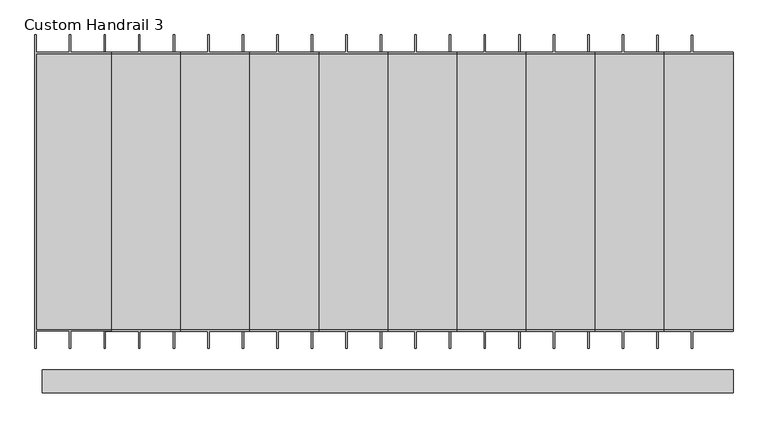
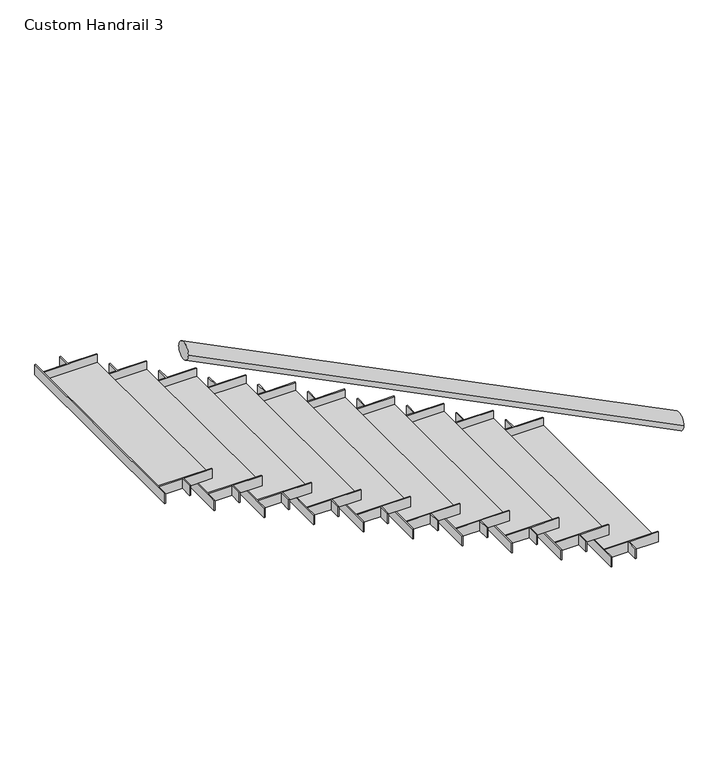
"""IFC4 building model written with IfcOpenShell, lengths in millimetres: railing geometry, Custom Handrail 3."""

from ifc_helpers import new_model, si_unit, frame, origin, place, context, project, spatial, ellipse_curve, faceted_brep, source, transform, mapped, element, save
from ifc_brep_helpers import plane_surface, cylinder_surface, advanced_brep


def custom_handrail_3_925d54cb(model_context):
    return source(origin(), model_context, "Body", "SolidModel", [
        advanced_brep(
        [(-2558.2362637, 8828.0661299, 2381.6038734), (-2558.2362637, 8929.6661299, 2381.6038734), (-5606.2362637, 8828.0661299, 3905.6038734), (-5606.2362637, 8929.6661299, 3905.6038734)],
        [
            (0, 1, ellipse_curve(frame((-2558.2362637, 8878.8661299, 2381.6038734), z_axis=(1.0, 0.0, 0.0), x_axis=(0.0, 0.0, -1.0)), 56.7961266, 50.8)),
            (1, 0, ellipse_curve(frame((-2558.2362637, 8878.8661299, 2381.6038734), z_axis=(1.0, 0.0, 0.0), x_axis=(0.0, 0.0, -1.0)), 56.7961266, 50.8)),
            (2, 3, ellipse_curve(frame((-5606.2362637, 8878.8661299, 3905.6038734), z_axis=(-1.0, 0.0, 0.0), x_axis=(0.0, 0.0, -1.0)), 56.7961266, 50.8)),
            (3, 2, ellipse_curve(frame((-5606.2362637, 8878.8661299, 3905.6038734), z_axis=(-1.0, 0.0, 0.0), x_axis=(0.0, 0.0, -1.0)), 56.7961266, 50.8)),
            (0, 2),
            (3, 1),
        ],
        [
            plane_surface(frame((-2558.2362637, 8878.8661299, 2438.4), z_axis=(1.0, 0.0, 0.0), x_axis=(0.0, -1.0, 0.0))),
            plane_surface(frame((-5606.2362637, 8878.8661299, 3962.4), z_axis=(-1.0, 0.0, 0.0), x_axis=(0.0, -1.0, 0.0))),
            cylinder_surface(frame((-2580.9547144, 8878.8661299, 2392.9630987), z_axis=(0.894427190999916, 0.0, -0.447213595499958), x_axis=(0.0, 1.0, 0.0)), 50.8),
        ],
        [
            (0, [[1, 2]]),
            (1, [[3, 4]]),
            (2, [[-1, 5, -4, 6]]),
            (2, [[-2, -6, -3, -5]]),
        ],
    ),
        faceted_brep([(-5301.4362637, 10333.0161299, 2895.6), (-5301.4362637, 10326.6661299, 2895.6), (-5301.4362637, 10326.6661299, 2844.8), (-5301.4362637, 9107.4661299, 2844.8), (-5301.4362637, 9107.4661299, 2895.6), (-5301.4362637, 9101.1161299, 2895.6), (-5301.4362637, 9101.1161299, 2832.1), (-5301.4362637, 10333.0161299, 2832.1), (-5479.2362637, 10333.0161299, 2832.1), (-5479.2362637, 10333.0161299, 2895.6), (-5631.6362637, 10333.0161299, 2895.6), (-5485.5862637, 10333.0161299, 2895.6), (-5485.5862637, 10333.0161299, 2832.1), (-5631.6362637, 10333.0161299, 2832.1), (-5479.2362637, 10409.2161299, 2895.6), (-5485.5862637, 10409.2161299, 2895.6), (-5631.6362637, 10409.2161299, 2895.6), (-5637.9862637, 10409.2161299, 2895.6), (-5637.9862637, 9024.9161299, 2895.6), (-5631.6362637, 9024.9161299, 2895.6), (-5631.6362637, 9101.1161299, 2895.6), (-5485.5862637, 9101.1161299, 2895.6), (-5485.5862637, 9024.9161299, 2895.6), (-5479.2362637, 9024.9161299, 2895.6), (-5479.2362637, 9101.1161299, 2895.6), (-5631.6362637, 9107.4661299, 2895.6), (-5631.6362637, 10326.6661299, 2895.6), (-5631.6362637, 10326.6661299, 2844.8), (-5637.9862637, 10409.2161299, 2832.1), (-5637.9862637, 9024.9161299, 2832.1), (-5631.6362637, 9107.4661299, 2844.8), (-5479.2362637, 9101.1161299, 2832.1), (-5631.6362637, 9101.1161299, 2832.1), (-5485.5862637, 9101.1161299, 2832.1), (-5479.2362637, 9024.9161299, 2832.1), (-5485.5862637, 9024.9161299, 2832.1), (-5631.6362637, 9024.9161299, 2832.1), (-5631.6362637, 10409.2161299, 2832.1), (-5485.5862637, 10409.2161299, 2832.1), (-5479.2362637, 10409.2161299, 2832.1)], [[[0, 1, 2, 3, 4, 5, 6, 7]], [[0, 7, 8, 9]], [[10, 11, 12, 13]], [[1, 0, 9, 14, 15, 11, 10, 16, 17, 18, 19, 20, 21, 22, 23, 24, 5, 4, 25, 26]], [[2, 1, 26, 27]], [[18, 17, 28, 29]], [[26, 25, 30, 27]], [[6, 5, 24, 31]], [[21, 20, 32, 33]], [[25, 4, 3, 30]], [[3, 2, 27, 30]], [[7, 6, 31, 34, 35, 33, 32, 36, 29, 28, 37, 13, 12, 38, 39, 8]], [[19, 18, 29, 36]], [[20, 19, 36, 32]], [[23, 22, 35, 34]], [[24, 23, 34, 31]], [[22, 21, 33, 35]], [[16, 10, 13, 37]], [[17, 16, 37, 28]], [[11, 15, 38, 12]], [[14, 9, 8, 39]], [[15, 14, 39, 38]]]),
        faceted_brep([(-4996.6362637, 10333.0161299, 2743.2), (-4996.6362637, 10326.6661299, 2743.2), (-4996.6362637, 10326.6661299, 2692.4), (-4996.6362637, 9107.4661299, 2692.4), (-4996.6362637, 9107.4661299, 2743.2), (-4996.6362637, 9101.1161299, 2743.2), (-4996.6362637, 9101.1161299, 2679.7), (-4996.6362637, 10333.0161299, 2679.7), (-5174.4362637, 10333.0161299, 2679.7), (-5174.4362637, 10333.0161299, 2743.2), (-5326.8362637, 10333.0161299, 2743.2), (-5180.7862637, 10333.0161299, 2743.2), (-5180.7862637, 10333.0161299, 2679.7), (-5326.8362637, 10333.0161299, 2679.7), (-5174.4362637, 10409.2161299, 2743.2), (-5180.7862637, 10409.2161299, 2743.2), (-5326.8362637, 10409.2161299, 2743.2), (-5333.1862637, 10409.2161299, 2743.2), (-5333.1862637, 9024.9161299, 2743.2), (-5326.8362637, 9024.9161299, 2743.2), (-5326.8362637, 9101.1161299, 2743.2), (-5180.7862637, 9101.1161299, 2743.2), (-5180.7862637, 9024.9161299, 2743.2), (-5174.4362637, 9024.9161299, 2743.2), (-5174.4362637, 9101.1161299, 2743.2), (-5326.8362637, 9107.4661299, 2743.2), (-5326.8362637, 10326.6661299, 2743.2), (-5326.8362637, 10326.6661299, 2692.4), (-5333.1862637, 10409.2161299, 2679.7), (-5333.1862637, 9024.9161299, 2679.7), (-5326.8362637, 9107.4661299, 2692.4), (-5174.4362637, 9101.1161299, 2679.7), (-5326.8362637, 9101.1161299, 2679.7), (-5180.7862637, 9101.1161299, 2679.7), (-5174.4362637, 9024.9161299, 2679.7), (-5180.7862637, 9024.9161299, 2679.7), (-5326.8362637, 9024.9161299, 2679.7), (-5326.8362637, 10409.2161299, 2679.7), (-5180.7862637, 10409.2161299, 2679.7), (-5174.4362637, 10409.2161299, 2679.7)], [[[0, 1, 2, 3, 4, 5, 6, 7]], [[0, 7, 8, 9]], [[10, 11, 12, 13]], [[1, 0, 9, 14, 15, 11, 10, 16, 17, 18, 19, 20, 21, 22, 23, 24, 5, 4, 25, 26]], [[2, 1, 26, 27]], [[18, 17, 28, 29]], [[26, 25, 30, 27]], [[6, 5, 24, 31]], [[21, 20, 32, 33]], [[25, 4, 3, 30]], [[3, 2, 27, 30]], [[7, 6, 31, 34, 35, 33, 32, 36, 29, 28, 37, 13, 12, 38, 39, 8]], [[19, 18, 29, 36]], [[20, 19, 36, 32]], [[23, 22, 35, 34]], [[24, 23, 34, 31]], [[22, 21, 33, 35]], [[16, 10, 13, 37]], [[17, 16, 37, 28]], [[11, 15, 38, 12]], [[14, 9, 8, 39]], [[15, 14, 39, 38]]]),
        faceted_brep([(-4691.8362637, 10333.0161299, 2590.8), (-4691.8362637, 10326.6661299, 2590.8), (-4691.8362637, 10326.6661299, 2540.0), (-4691.8362637, 9107.4661299, 2540.0), (-4691.8362637, 9107.4661299, 2590.8), (-4691.8362637, 9101.1161299, 2590.8), (-4691.8362637, 9101.1161299, 2527.3), (-4691.8362637, 10333.0161299, 2527.3), (-4869.6362637, 10333.0161299, 2527.3), (-4869.6362637, 10333.0161299, 2590.8), (-5022.0362637, 10333.0161299, 2590.8), (-4875.9862637, 10333.0161299, 2590.8), (-4875.9862637, 10333.0161299, 2527.3), (-5022.0362637, 10333.0161299, 2527.3), (-4869.6362637, 10409.2161299, 2590.8), (-4875.9862637, 10409.2161299, 2590.8), (-5022.0362637, 10409.2161299, 2590.8), (-5028.3862637, 10409.2161299, 2590.8), (-5028.3862637, 9024.9161299, 2590.8), (-5022.0362637, 9024.9161299, 2590.8), (-5022.0362637, 9101.1161299, 2590.8), (-4875.9862637, 9101.1161299, 2590.8), (-4875.9862637, 9024.9161299, 2590.8), (-4869.6362637, 9024.9161299, 2590.8), (-4869.6362637, 9101.1161299, 2590.8), (-5022.0362637, 9107.4661299, 2590.8), (-5022.0362637, 10326.6661299, 2590.8), (-5022.0362637, 10326.6661299, 2540.0), (-5028.3862637, 10409.2161299, 2527.3), (-5028.3862637, 9024.9161299, 2527.3), (-5022.0362637, 9107.4661299, 2540.0), (-4869.6362637, 9101.1161299, 2527.3), (-5022.0362637, 9101.1161299, 2527.3), (-4875.9862637, 9101.1161299, 2527.3), (-4869.6362637, 9024.9161299, 2527.3), (-4875.9862637, 9024.9161299, 2527.3), (-5022.0362637, 9024.9161299, 2527.3), (-5022.0362637, 10409.2161299, 2527.3), (-4875.9862637, 10409.2161299, 2527.3), (-4869.6362637, 10409.2161299, 2527.3)], [[[0, 1, 2, 3, 4, 5, 6, 7]], [[0, 7, 8, 9]], [[10, 11, 12, 13]], [[1, 0, 9, 14, 15, 11, 10, 16, 17, 18, 19, 20, 21, 22, 23, 24, 5, 4, 25, 26]], [[2, 1, 26, 27]], [[18, 17, 28, 29]], [[26, 25, 30, 27]], [[6, 5, 24, 31]], [[21, 20, 32, 33]], [[25, 4, 3, 30]], [[3, 2, 27, 30]], [[7, 6, 31, 34, 35, 33, 32, 36, 29, 28, 37, 13, 12, 38, 39, 8]], [[19, 18, 29, 36]], [[20, 19, 36, 32]], [[23, 22, 35, 34]], [[24, 23, 34, 31]], [[22, 21, 33, 35]], [[16, 10, 13, 37]], [[17, 16, 37, 28]], [[11, 15, 38, 12]], [[14, 9, 8, 39]], [[15, 14, 39, 38]]]),
        faceted_brep([(-4387.0362637, 10333.0161299, 2438.4), (-4387.0362637, 10326.6661299, 2438.4), (-4387.0362637, 10326.6661299, 2387.6), (-4387.0362637, 9107.4661299, 2387.6), (-4387.0362637, 9107.4661299, 2438.4), (-4387.0362637, 9101.1161299, 2438.4), (-4387.0362637, 9101.1161299, 2374.9), (-4387.0362637, 10333.0161299, 2374.9), (-4564.8362637, 10333.0161299, 2374.9), (-4564.8362637, 10333.0161299, 2438.4), (-4717.2362637, 10333.0161299, 2438.4), (-4571.1862637, 10333.0161299, 2438.4), (-4571.1862637, 10333.0161299, 2374.9), (-4717.2362637, 10333.0161299, 2374.9), (-4564.8362637, 10409.2161299, 2438.4), (-4571.1862637, 10409.2161299, 2438.4), (-4717.2362637, 10409.2161299, 2438.4), (-4723.5862637, 10409.2161299, 2438.4), (-4723.5862637, 9024.9161299, 2438.4), (-4717.2362637, 9024.9161299, 2438.4), (-4717.2362637, 9101.1161299, 2438.4), (-4571.1862637, 9101.1161299, 2438.4), (-4571.1862637, 9024.9161299, 2438.4), (-4564.8362637, 9024.9161299, 2438.4), (-4564.8362637, 9101.1161299, 2438.4), (-4717.2362637, 9107.4661299, 2438.4), (-4717.2362637, 10326.6661299, 2438.4), (-4717.2362637, 10326.6661299, 2387.6), (-4723.5862637, 10409.2161299, 2374.9), (-4723.5862637, 9024.9161299, 2374.9), (-4717.2362637, 9107.4661299, 2387.6), (-4564.8362637, 9101.1161299, 2374.9), (-4717.2362637, 9101.1161299, 2374.9), (-4571.1862637, 9101.1161299, 2374.9), (-4564.8362637, 9024.9161299, 2374.9), (-4571.1862637, 9024.9161299, 2374.9), (-4717.2362637, 9024.9161299, 2374.9), (-4717.2362637, 10409.2161299, 2374.9), (-4571.1862637, 10409.2161299, 2374.9), (-4564.8362637, 10409.2161299, 2374.9)], [[[0, 1, 2, 3, 4, 5, 6, 7]], [[0, 7, 8, 9]], [[10, 11, 12, 13]], [[1, 0, 9, 14, 15, 11, 10, 16, 17, 18, 19, 20, 21, 22, 23, 24, 5, 4, 25, 26]], [[2, 1, 26, 27]], [[18, 17, 28, 29]], [[26, 25, 30, 27]], [[6, 5, 24, 31]], [[21, 20, 32, 33]], [[25, 4, 3, 30]], [[3, 2, 27, 30]], [[7, 6, 31, 34, 35, 33, 32, 36, 29, 28, 37, 13, 12, 38, 39, 8]], [[19, 18, 29, 36]], [[20, 19, 36, 32]], [[23, 22, 35, 34]], [[24, 23, 34, 31]], [[22, 21, 33, 35]], [[16, 10, 13, 37]], [[17, 16, 37, 28]], [[11, 15, 38, 12]], [[14, 9, 8, 39]], [[15, 14, 39, 38]]]),
        faceted_brep([(-4082.2362637, 10333.0161299, 2286.0), (-4082.2362637, 10326.6661299, 2286.0), (-4082.2362637, 10326.6661299, 2235.2), (-4082.2362637, 9107.4661299, 2235.2), (-4082.2362637, 9107.4661299, 2286.0), (-4082.2362637, 9101.1161299, 2286.0), (-4082.2362637, 9101.1161299, 2222.5), (-4082.2362637, 10333.0161299, 2222.5), (-4260.0362637, 10333.0161299, 2222.5), (-4260.0362637, 10333.0161299, 2286.0), (-4412.4362637, 10333.0161299, 2286.0), (-4266.3862637, 10333.0161299, 2286.0), (-4266.3862637, 10333.0161299, 2222.5), (-4412.4362637, 10333.0161299, 2222.5), (-4260.0362637, 10409.2161299, 2286.0), (-4266.3862637, 10409.2161299, 2286.0), (-4412.4362637, 10409.2161299, 2286.0), (-4418.7862637, 10409.2161299, 2286.0), (-4418.7862637, 9024.9161299, 2286.0), (-4412.4362637, 9024.9161299, 2286.0), (-4412.4362637, 9101.1161299, 2286.0), (-4266.3862637, 9101.1161299, 2286.0), (-4266.3862637, 9024.9161299, 2286.0), (-4260.0362637, 9024.9161299, 2286.0), (-4260.0362637, 9101.1161299, 2286.0), (-4412.4362637, 9107.4661299, 2286.0), (-4412.4362637, 10326.6661299, 2286.0), (-4412.4362637, 10326.6661299, 2235.2), (-4418.7862637, 10409.2161299, 2222.5), (-4418.7862637, 9024.9161299, 2222.5), (-4412.4362637, 9107.4661299, 2235.2), (-4260.0362637, 9101.1161299, 2222.5), (-4412.4362637, 9101.1161299, 2222.5), (-4266.3862637, 9101.1161299, 2222.5), (-4260.0362637, 9024.9161299, 2222.5), (-4266.3862637, 9024.9161299, 2222.5), (-4412.4362637, 9024.9161299, 2222.5), (-4412.4362637, 10409.2161299, 2222.5), (-4266.3862637, 10409.2161299, 2222.5), (-4260.0362637, 10409.2161299, 2222.5)], [[[0, 1, 2, 3, 4, 5, 6, 7]], [[0, 7, 8, 9]], [[10, 11, 12, 13]], [[1, 0, 9, 14, 15, 11, 10, 16, 17, 18, 19, 20, 21, 22, 23, 24, 5, 4, 25, 26]], [[2, 1, 26, 27]], [[18, 17, 28, 29]], [[26, 25, 30, 27]], [[6, 5, 24, 31]], [[21, 20, 32, 33]], [[25, 4, 3, 30]], [[3, 2, 27, 30]], [[7, 6, 31, 34, 35, 33, 32, 36, 29, 28, 37, 13, 12, 38, 39, 8]], [[19, 18, 29, 36]], [[20, 19, 36, 32]], [[23, 22, 35, 34]], [[24, 23, 34, 31]], [[22, 21, 33, 35]], [[16, 10, 13, 37]], [[17, 16, 37, 28]], [[11, 15, 38, 12]], [[14, 9, 8, 39]], [[15, 14, 39, 38]]]),
        faceted_brep([(-3777.4362637, 10333.0161299, 2133.6), (-3777.4362637, 10326.6661299, 2133.6), (-3777.4362637, 10326.6661299, 2082.8), (-3777.4362637, 9107.4661299, 2082.8), (-3777.4362637, 9107.4661299, 2133.6), (-3777.4362637, 9101.1161299, 2133.6), (-3777.4362637, 9101.1161299, 2070.1), (-3777.4362637, 10333.0161299, 2070.1), (-3955.2362637, 10333.0161299, 2070.1), (-3955.2362637, 10333.0161299, 2133.6), (-4107.6362637, 10333.0161299, 2133.6), (-3961.5862637, 10333.0161299, 2133.6), (-3961.5862637, 10333.0161299, 2070.1), (-4107.6362637, 10333.0161299, 2070.1), (-3955.2362637, 10409.2161299, 2133.6), (-3961.5862637, 10409.2161299, 2133.6), (-4107.6362637, 10409.2161299, 2133.6), (-4113.9862637, 10409.2161299, 2133.6), (-4113.9862637, 9024.9161299, 2133.6), (-4107.6362637, 9024.9161299, 2133.6), (-4107.6362637, 9101.1161299, 2133.6), (-3961.5862637, 9101.1161299, 2133.6), (-3961.5862637, 9024.9161299, 2133.6), (-3955.2362637, 9024.9161299, 2133.6), (-3955.2362637, 9101.1161299, 2133.6), (-4107.6362637, 9107.4661299, 2133.6), (-4107.6362637, 10326.6661299, 2133.6), (-4107.6362637, 10326.6661299, 2082.8), (-4113.9862637, 10409.2161299, 2070.1), (-4113.9862637, 9024.9161299, 2070.1), (-4107.6362637, 9107.4661299, 2082.8), (-3955.2362637, 9101.1161299, 2070.1), (-4107.6362637, 9101.1161299, 2070.1), (-3961.5862637, 9101.1161299, 2070.1), (-3955.2362637, 9024.9161299, 2070.1), (-3961.5862637, 9024.9161299, 2070.1), (-4107.6362637, 9024.9161299, 2070.1), (-4107.6362637, 10409.2161299, 2070.1), (-3961.5862637, 10409.2161299, 2070.1), (-3955.2362637, 10409.2161299, 2070.1)], [[[0, 1, 2, 3, 4, 5, 6, 7]], [[0, 7, 8, 9]], [[10, 11, 12, 13]], [[1, 0, 9, 14, 15, 11, 10, 16, 17, 18, 19, 20, 21, 22, 23, 24, 5, 4, 25, 26]], [[2, 1, 26, 27]], [[18, 17, 28, 29]], [[26, 25, 30, 27]], [[6, 5, 24, 31]], [[21, 20, 32, 33]], [[25, 4, 3, 30]], [[3, 2, 27, 30]], [[7, 6, 31, 34, 35, 33, 32, 36, 29, 28, 37, 13, 12, 38, 39, 8]], [[19, 18, 29, 36]], [[20, 19, 36, 32]], [[23, 22, 35, 34]], [[24, 23, 34, 31]], [[22, 21, 33, 35]], [[16, 10, 13, 37]], [[17, 16, 37, 28]], [[11, 15, 38, 12]], [[14, 9, 8, 39]], [[15, 14, 39, 38]]]),
        faceted_brep([(-3472.6362637, 10333.0161299, 1981.2), (-3472.6362637, 10326.6661299, 1981.2), (-3472.6362637, 10326.6661299, 1930.4), (-3472.6362637, 9107.4661299, 1930.4), (-3472.6362637, 9107.4661299, 1981.2), (-3472.6362637, 9101.1161299, 1981.2), (-3472.6362637, 9101.1161299, 1917.7), (-3472.6362637, 10333.0161299, 1917.7), (-3650.4362637, 10333.0161299, 1917.7), (-3650.4362637, 10333.0161299, 1981.2), (-3802.8362637, 10333.0161299, 1981.2), (-3656.7862637, 10333.0161299, 1981.2), (-3656.7862637, 10333.0161299, 1917.7), (-3802.8362637, 10333.0161299, 1917.7), (-3650.4362637, 10409.2161299, 1981.2), (-3656.7862637, 10409.2161299, 1981.2), (-3802.8362637, 10409.2161299, 1981.2), (-3809.1862637, 10409.2161299, 1981.2), (-3809.1862637, 9024.9161299, 1981.2), (-3802.8362637, 9024.9161299, 1981.2), (-3802.8362637, 9101.1161299, 1981.2), (-3656.7862637, 9101.1161299, 1981.2), (-3656.7862637, 9024.9161299, 1981.2), (-3650.4362637, 9024.9161299, 1981.2), (-3650.4362637, 9101.1161299, 1981.2), (-3802.8362637, 9107.4661299, 1981.2), (-3802.8362637, 10326.6661299, 1981.2), (-3802.8362637, 10326.6661299, 1930.4), (-3809.1862637, 10409.2161299, 1917.7), (-3809.1862637, 9024.9161299, 1917.7), (-3802.8362637, 9107.4661299, 1930.4), (-3650.4362637, 9101.1161299, 1917.7), (-3802.8362637, 9101.1161299, 1917.7), (-3656.7862637, 9101.1161299, 1917.7), (-3650.4362637, 9024.9161299, 1917.7), (-3656.7862637, 9024.9161299, 1917.7), (-3802.8362637, 9024.9161299, 1917.7), (-3802.8362637, 10409.2161299, 1917.7), (-3656.7862637, 10409.2161299, 1917.7), (-3650.4362637, 10409.2161299, 1917.7)], [[[0, 1, 2, 3, 4, 5, 6, 7]], [[0, 7, 8, 9]], [[10, 11, 12, 13]], [[1, 0, 9, 14, 15, 11, 10, 16, 17, 18, 19, 20, 21, 22, 23, 24, 5, 4, 25, 26]], [[2, 1, 26, 27]], [[18, 17, 28, 29]], [[26, 25, 30, 27]], [[6, 5, 24, 31]], [[21, 20, 32, 33]], [[25, 4, 3, 30]], [[3, 2, 27, 30]], [[7, 6, 31, 34, 35, 33, 32, 36, 29, 28, 37, 13, 12, 38, 39, 8]], [[19, 18, 29, 36]], [[20, 19, 36, 32]], [[23, 22, 35, 34]], [[24, 23, 34, 31]], [[22, 21, 33, 35]], [[16, 10, 13, 37]], [[17, 16, 37, 28]], [[11, 15, 38, 12]], [[14, 9, 8, 39]], [[15, 14, 39, 38]]]),
        faceted_brep([(-3167.8362637, 10333.0161299, 1828.8), (-3167.8362637, 10326.6661299, 1828.8), (-3167.8362637, 10326.6661299, 1778.0), (-3167.8362637, 9107.4661299, 1778.0), (-3167.8362637, 9107.4661299, 1828.8), (-3167.8362637, 9101.1161299, 1828.8), (-3167.8362637, 9101.1161299, 1765.3), (-3167.8362637, 10333.0161299, 1765.3), (-3345.6362637, 10333.0161299, 1765.3), (-3345.6362637, 10333.0161299, 1828.8), (-3498.0362637, 10333.0161299, 1828.8), (-3351.9862637, 10333.0161299, 1828.8), (-3351.9862637, 10333.0161299, 1765.3), (-3498.0362637, 10333.0161299, 1765.3), (-3345.6362637, 10409.2161299, 1828.8), (-3351.9862637, 10409.2161299, 1828.8), (-3498.0362637, 10409.2161299, 1828.8), (-3504.3862637, 10409.2161299, 1828.8), (-3504.3862637, 9024.9161299, 1828.8), (-3498.0362637, 9024.9161299, 1828.8), (-3498.0362637, 9101.1161299, 1828.8), (-3351.9862637, 9101.1161299, 1828.8), (-3351.9862637, 9024.9161299, 1828.8), (-3345.6362637, 9024.9161299, 1828.8), (-3345.6362637, 9101.1161299, 1828.8), (-3498.0362637, 9107.4661299, 1828.8), (-3498.0362637, 10326.6661299, 1828.8), (-3498.0362637, 10326.6661299, 1778.0), (-3504.3862637, 10409.2161299, 1765.3), (-3504.3862637, 9024.9161299, 1765.3), (-3498.0362637, 9107.4661299, 1778.0), (-3345.6362637, 9101.1161299, 1765.3), (-3498.0362637, 9101.1161299, 1765.3), (-3351.9862637, 9101.1161299, 1765.3), (-3345.6362637, 9024.9161299, 1765.3), (-3351.9862637, 9024.9161299, 1765.3), (-3498.0362637, 9024.9161299, 1765.3), (-3498.0362637, 10409.2161299, 1765.3), (-3351.9862637, 10409.2161299, 1765.3), (-3345.6362637, 10409.2161299, 1765.3)], [[[0, 1, 2, 3, 4, 5, 6, 7]], [[0, 7, 8, 9]], [[10, 11, 12, 13]], [[1, 0, 9, 14, 15, 11, 10, 16, 17, 18, 19, 20, 21, 22, 23, 24, 5, 4, 25, 26]], [[2, 1, 26, 27]], [[18, 17, 28, 29]], [[26, 25, 30, 27]], [[6, 5, 24, 31]], [[21, 20, 32, 33]], [[25, 4, 3, 30]], [[3, 2, 27, 30]], [[7, 6, 31, 34, 35, 33, 32, 36, 29, 28, 37, 13, 12, 38, 39, 8]], [[19, 18, 29, 36]], [[20, 19, 36, 32]], [[23, 22, 35, 34]], [[24, 23, 34, 31]], [[22, 21, 33, 35]], [[16, 10, 13, 37]], [[17, 16, 37, 28]], [[11, 15, 38, 12]], [[14, 9, 8, 39]], [[15, 14, 39, 38]]]),
        faceted_brep([(-2863.0362637, 10333.0161299, 1676.4), (-2863.0362637, 10326.6661299, 1676.4), (-2863.0362637, 10326.6661299, 1625.6), (-2863.0362637, 9107.4661299, 1625.6), (-2863.0362637, 9107.4661299, 1676.4), (-2863.0362637, 9101.1161299, 1676.4), (-2863.0362637, 9101.1161299, 1612.9), (-2863.0362637, 10333.0161299, 1612.9), (-3040.8362637, 10333.0161299, 1612.9), (-3040.8362637, 10333.0161299, 1676.4), (-3193.2362637, 10333.0161299, 1676.4), (-3047.1862637, 10333.0161299, 1676.4), (-3047.1862637, 10333.0161299, 1612.9), (-3193.2362637, 10333.0161299, 1612.9), (-3040.8362637, 10409.2161299, 1676.4), (-3047.1862637, 10409.2161299, 1676.4), (-3193.2362637, 10409.2161299, 1676.4), (-3199.5862637, 10409.2161299, 1676.4), (-3199.5862637, 9024.9161299, 1676.4), (-3193.2362637, 9024.9161299, 1676.4), (-3193.2362637, 9101.1161299, 1676.4), (-3047.1862637, 9101.1161299, 1676.4), (-3047.1862637, 9024.9161299, 1676.4), (-3040.8362637, 9024.9161299, 1676.4), (-3040.8362637, 9101.1161299, 1676.4), (-3193.2362637, 9107.4661299, 1676.4), (-3193.2362637, 10326.6661299, 1676.4), (-3193.2362637, 10326.6661299, 1625.6), (-3199.5862637, 10409.2161299, 1612.9), (-3199.5862637, 9024.9161299, 1612.9), (-3193.2362637, 9107.4661299, 1625.6), (-3040.8362637, 9101.1161299, 1612.9), (-3193.2362637, 9101.1161299, 1612.9), (-3047.1862637, 9101.1161299, 1612.9), (-3040.8362637, 9024.9161299, 1612.9), (-3047.1862637, 9024.9161299, 1612.9), (-3193.2362637, 9024.9161299, 1612.9), (-3193.2362637, 10409.2161299, 1612.9), (-3047.1862637, 10409.2161299, 1612.9), (-3040.8362637, 10409.2161299, 1612.9)], [[[0, 1, 2, 3, 4, 5, 6, 7]], [[0, 7, 8, 9]], [[10, 11, 12, 13]], [[1, 0, 9, 14, 15, 11, 10, 16, 17, 18, 19, 20, 21, 22, 23, 24, 5, 4, 25, 26]], [[2, 1, 26, 27]], [[18, 17, 28, 29]], [[26, 25, 30, 27]], [[6, 5, 24, 31]], [[21, 20, 32, 33]], [[25, 4, 3, 30]], [[3, 2, 27, 30]], [[7, 6, 31, 34, 35, 33, 32, 36, 29, 28, 37, 13, 12, 38, 39, 8]], [[19, 18, 29, 36]], [[20, 19, 36, 32]], [[23, 22, 35, 34]], [[24, 23, 34, 31]], [[22, 21, 33, 35]], [[16, 10, 13, 37]], [[17, 16, 37, 28]], [[11, 15, 38, 12]], [[14, 9, 8, 39]], [[15, 14, 39, 38]]]),
        faceted_brep([(-2558.2362637, 10333.0161299, 1524.0), (-2558.2362637, 10326.6661299, 1524.0), (-2558.2362637, 10326.6661299, 1473.2), (-2558.2362637, 9107.4661299, 1473.2), (-2558.2362637, 9107.4661299, 1524.0), (-2558.2362637, 9101.1161299, 1524.0), (-2558.2362637, 9101.1161299, 1460.5), (-2558.2362637, 10333.0161299, 1460.5), (-2736.0362637, 10333.0161299, 1460.5), (-2736.0362637, 10333.0161299, 1524.0), (-2888.4362637, 10333.0161299, 1524.0), (-2742.3862637, 10333.0161299, 1524.0), (-2742.3862637, 10333.0161299, 1460.5), (-2888.4362637, 10333.0161299, 1460.5), (-2736.0362637, 10409.2161299, 1524.0), (-2742.3862637, 10409.2161299, 1524.0), (-2888.4362637, 10409.2161299, 1524.0), (-2894.7862637, 10409.2161299, 1524.0), (-2894.7862637, 9024.9161299, 1524.0), (-2888.4362637, 9024.9161299, 1524.0), (-2888.4362637, 9101.1161299, 1524.0), (-2742.3862637, 9101.1161299, 1524.0), (-2742.3862637, 9024.9161299, 1524.0), (-2736.0362637, 9024.9161299, 1524.0), (-2736.0362637, 9101.1161299, 1524.0), (-2888.4362637, 9107.4661299, 1524.0), (-2888.4362637, 10326.6661299, 1524.0), (-2888.4362637, 10326.6661299, 1473.2), (-2894.7862637, 10409.2161299, 1460.5), (-2894.7862637, 9024.9161299, 1460.5), (-2888.4362637, 9107.4661299, 1473.2), (-2736.0362637, 9101.1161299, 1460.5), (-2888.4362637, 9101.1161299, 1460.5), (-2742.3862637, 9101.1161299, 1460.5), (-2736.0362637, 9024.9161299, 1460.5), (-2742.3862637, 9024.9161299, 1460.5), (-2888.4362637, 9024.9161299, 1460.5), (-2888.4362637, 10409.2161299, 1460.5), (-2742.3862637, 10409.2161299, 1460.5), (-2736.0362637, 10409.2161299, 1460.5)], [[[0, 1, 2, 3, 4, 5, 6, 7]], [[0, 7, 8, 9]], [[10, 11, 12, 13]], [[1, 0, 9, 14, 15, 11, 10, 16, 17, 18, 19, 20, 21, 22, 23, 24, 5, 4, 25, 26]], [[2, 1, 26, 27]], [[18, 17, 28, 29]], [[26, 25, 30, 27]], [[6, 5, 24, 31]], [[21, 20, 32, 33]], [[25, 4, 3, 30]], [[3, 2, 27, 30]], [[7, 6, 31, 34, 35, 33, 32, 36, 29, 28, 37, 13, 12, 38, 39, 8]], [[19, 18, 29, 36]], [[20, 19, 36, 32]], [[23, 22, 35, 34]], [[24, 23, 34, 31]], [[22, 21, 33, 35]], [[16, 10, 13, 37]], [[17, 16, 37, 28]], [[11, 15, 38, 12]], [[14, 9, 8, 39]], [[15, 14, 39, 38]]]),
    ])


if __name__ == "__main__":
    model = new_model("IFC4")
    model_context = context("Model", 3, world=origin())
    ifc_project = project(units=[si_unit("LENGTHUNIT", "METRE", prefix="MILLI")], contexts=[model_context])
    site = spatial("IfcSite", under=ifc_project)
    building = spatial("IfcBuilding", under=site)
    placement = place(None, origin())
    custom_handrail_3_shape = custom_handrail_3_925d54cb(model_context)
    element("IfcRailing", 1, ObjectType="Custom Handrail 3", at=placement, inside=building, context=model_context, shape_type="MappedRepresentation", body=[
        mapped(custom_handrail_3_shape, transform((0.0, 0.0, 0.0), x_axis=(1.0, 0.0, 0.0), y_axis=(0.0, 1.0, 0.0), z_axis=(0.0, 0.0, 1.0))),
    ])
    save(model, "model.ifc")
